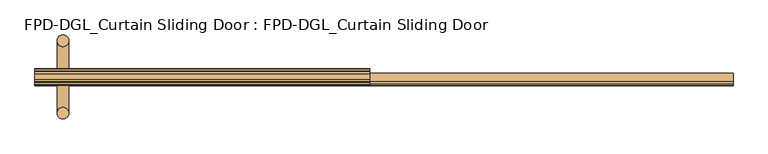
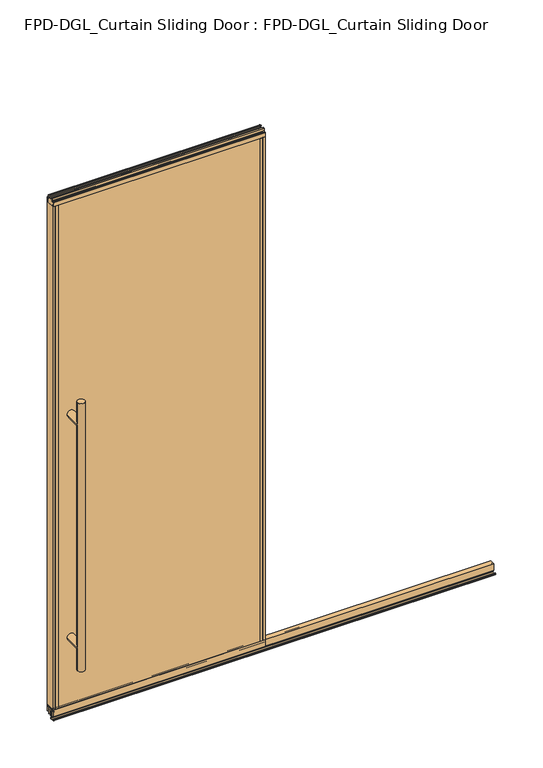
"""IFC4 building model written with IfcOpenShell, lengths in millimetres: door geometry, FPD-DGL_Curtain Sliding Door : FPD-DGL_Curtain Sliding Door."""

from ifc_helpers import new_model, si_unit, point, frame, frame_2d, origin, place, context, project, spatial, polyline, circle_curve, ellipse_curve, trimmed, segment, composite_curve, outline, extrude, source, transform, mapped, element, save
from ifc_brep_helpers import plane_surface, cylinder_surface, advanced_brep


def fpd_dgl_curtain_sliding_door_fpd_dgl_curtain_sliding_door_dc14727c(model_context):
    return source(origin(), model_context, "Body", "SolidModel", [
        advanced_brep(
        [(-364.33125, -98.628049, 1473.2), (-396.08125, -98.628049, 1473.2), (-364.33125, 98.5969566, 1473.2), (-396.08125, 98.5969566, 1473.2), (-364.33125, -98.628049, 254.0), (-396.08125, -98.628049, 254.0), (-364.33125, 98.5969566, 254.0), (-396.08125, 98.5969566, 254.0), (-364.33125, -98.628049, 1371.6), (-396.08125, -98.628049, 1371.6), (-396.08125, -98.628049, 355.6), (-364.33125, -98.628049, 355.6), (-364.33125, 98.5969566, 1371.6), (-364.33125, 98.5969566, 355.6), (-396.08125, 98.5969566, 355.6), (-396.08125, 98.5969566, 1371.6)],
        [
            (0, 1, circle_curve(frame((-380.20625, -98.628049, 1473.2), z_axis=(0.0, 0.0, 1.0), x_axis=(-1.0, 0.0, 0.0)), 15.875)),
            (1, 0, circle_curve(frame((-380.20625, -98.628049, 1473.2), z_axis=(0.0, 0.0, 1.0), x_axis=(-1.0, 0.0, 0.0)), 15.875)),
            (2, 3, circle_curve(frame((-380.20625, 98.5969566, 1473.2), z_axis=(0.0, 0.0, 1.0), x_axis=(-1.0, 0.0, 0.0)), 15.875)),
            (3, 2, circle_curve(frame((-380.20625, 98.5969566, 1473.2), z_axis=(0.0, 0.0, 1.0), x_axis=(-1.0, 0.0, 0.0)), 15.875)),
            (4, 5, circle_curve(frame((-380.20625, -98.628049, 254.0), z_axis=(0.0, 0.0, -1.0), x_axis=(-1.0, 0.0, 0.0)), 15.875)),
            (5, 4, circle_curve(frame((-380.20625, -98.628049, 254.0), z_axis=(0.0, 0.0, -1.0), x_axis=(-1.0, 0.0, 0.0)), 15.875)),
            (6, 7, circle_curve(frame((-380.20625, 98.5969566, 254.0), z_axis=(0.0, 0.0, -1.0), x_axis=(-1.0, 0.0, 0.0)), 15.875)),
            (7, 6, circle_curve(frame((-380.20625, 98.5969566, 254.0), z_axis=(0.0, 0.0, -1.0), x_axis=(-1.0, 0.0, 0.0)), 15.875)),
            (0, 8),
            (8, 9, ellipse_curve(frame((-380.20625, -98.628049, 1371.6), z_axis=(0.0, -0.7071067811865525, 0.7071067811865427), x_axis=(0.0, 0.7071067811865427, 0.7071067811865523)), 22.4506403, 15.875)),
            (9, 1),
            (5, 10),
            (10, 11, ellipse_curve(frame((-380.20625, -98.628049, 355.6), z_axis=(0.0, -0.7071067811865525, -0.7071067811865427), x_axis=(0.0, -0.7071067811865427, 0.7071067811865523)), 22.4506403, 15.875)),
            (11, 4),
            (8, 11),
            (11, 10, ellipse_curve(frame((-380.20625, -98.628049, 355.6), z_axis=(0.0, -0.7071067811865427, 0.7071067811865525), x_axis=(0.0, 0.7071067811865525, 0.7071067811865425)), 22.4506403, 15.875)),
            (10, 9),
            (9, 8, ellipse_curve(frame((-380.20625, -98.628049, 1371.6), z_axis=(0.0, -0.7071067811865427, -0.7071067811865525), x_axis=(0.0, -0.7071067811865525, 0.7071067811865425)), 22.4506403, 15.875)),
            (2, 12),
            (12, 13),
            (13, 6),
            (7, 14),
            (14, 15),
            (15, 3),
            (15, 12, ellipse_curve(frame((-380.20625, 98.5969566, 1371.6), z_axis=(0.0, 0.7071067811865427, 0.7071067811865525), x_axis=(0.0, -0.7071067811865525, 0.7071067811865425)), 22.4506403, 15.875)),
            (13, 14, ellipse_curve(frame((-380.20625, 98.5969566, 355.6), z_axis=(0.0, 0.7071067811865427, -0.7071067811865525), x_axis=(0.0, 0.7071067811865525, 0.7071067811865425)), 22.4506403, 15.875)),
            (12, 15, ellipse_curve(frame((-380.20625, 98.5969566, 1371.6), z_axis=(0.0, 0.7071067811865525, -0.7071067811865427), x_axis=(0.0, 0.7071067811865427, 0.7071067811865523)), 22.4506403, 15.875)),
            (14, 13, ellipse_curve(frame((-380.20625, 98.5969566, 355.6), z_axis=(0.0, 0.7071067811865525, 0.7071067811865427), x_axis=(0.0, -0.7071067811865427, 0.7071067811865523)), 22.4506403, 15.875)),
            (9, 15),
            (12, 8),
            (10, 14),
            (13, 11),
        ],
        [
            plane_surface(frame((-281.0988493, 0.0, 1473.2), z_axis=(0.0, 0.0, 1.0), x_axis=(0.0, -1.0, 0.0))),
            plane_surface(frame((-281.0988493, 0.0, 254.0), z_axis=(0.0, 0.0, -1.0), x_axis=(0.0, -1.0, 0.0))),
            cylinder_surface(frame((-380.20625, -98.628049, 1473.2), z_axis=(0.0, 0.0, 1.0), x_axis=(-1.0, 0.0, 0.0)), 15.875),
            cylinder_surface(frame((-380.20625, 98.5969566, 1473.2), z_axis=(0.0, 0.0, 1.0), x_axis=(-1.0, 0.0, 0.0)), 15.875),
            cylinder_surface(frame((-380.20625, 98.5969566, 1371.6), z_axis=(0.0, -1.0, 0.0), x_axis=(1.0, 0.0, 0.0)), 15.875),
            cylinder_surface(frame((-380.20625, 0.0, 355.6), z_axis=(0.0, -1.0, 0.0), x_axis=(1.0, 0.0, 0.0)), 15.875),
        ],
        [
            (0, [[1, 2]]),
            (0, [[3, 4]]),
            (1, [[5, 6]]),
            (1, [[7, 8]]),
            (2, [[-1, 9, 10, 11]]),
            (2, [[-6, 12, 13, 14]]),
            (2, [[15, 16, 17, 18]]),
            (2, [[-2, -11, -17, -12, -5, -14, -15, -9]]),
            (3, [[-3, 19, 20, 21, -8, 22, 23, 24]]),
            (3, [[-4, -24, 25, -19]]),
            (3, [[-7, -21, 26, -22]]),
            (3, [[-20, 27, -23, 28]]),
            (4, [[29, -27, 30, -18]]),
            (4, [[-29, -10, -30, -25]]),
            (5, [[31, -26, 32, -13]]),
            (5, [[-31, -16, -32, -28]]),
        ],
    ),
        extrude(outline(composite_curve([segment(trimmed(circle_curve(frame_2d((-4.9814206, 1.1714386)), 1.1684), [point((-3.8130206, 1.1714386))], [point((-4.9814206, 0.0030387))], False, "CARTESIAN"), True, "CONTINUOUS"), segment(polyline([(-4.9814206, 0.0030387), (-22.6598203, 0.0030387)]), True, "CONTINUOUS"), segment(trimmed(circle_curve(frame_2d((-22.6598203, 1.1714386)), 1.1684), [point((-22.6598203, 0.0030387))], [point((-23.8282203, 1.1714386))], False, "CARTESIAN"), True, "CONTINUOUS"), segment(polyline([(-23.8282203, 1.1714386), (-23.8282203, 4.0416386)]), True, "CONTINUOUS"), segment(trimmed(circle_curve(frame_2d((-22.6598203, 4.0416386)), 1.1684), [point((-23.8282203, 4.0416386))], [point((-22.6598203, 5.2100386))], False, "CARTESIAN"), True, "CONTINUOUS"), segment(polyline([(-22.6598203, 5.2100386), (-20.0711431, 5.2100386), (-20.0711431, 4.4232339), (-23.0662203, 4.4232339), (-23.0662203, 0.7650387), (-4.5877206, 0.7650387), (-4.5877206, 4.3138948), (-7.2737706, 4.3138948), (-7.2737706, 5.1338386), (-4.5663812, 5.1338386)]), True, "CONTINUOUS"), segment(trimmed(circle_curve(frame_2d((-4.9814206, 4.0416386)), 1.1684), [point((-4.5663812, 5.1338386))], [point((-3.8130206, 4.0416386))], False, "CARTESIAN"), True, "CONTINUOUS"), segment(polyline([(-3.8130206, 4.0416386), (-3.8130206, 1.1714386)]), True, "CONTINUOUS")], self_intersect=False)), frame((-456.40625, 0.0, 0.0), z_axis=(1.0, 0.0, 0.0), x_axis=(0.0, 1.0, 0.0)), (0.0, 0.0, 1.0), 1903.4125),
        extrude(outline(composite_curve([segment(polyline([(10.9646139, 41.6030387), (10.9646139, 11.6839647), (9.9646139, 11.6839647), (9.9646139, 33.5017657), (8.5747815, 33.5017657), (8.5747815, 34.3040626), (9.9646139, 34.3040626), (9.9646139, 35.6040627), (-0.8353862, 35.6040627), (-0.8353862, 34.3040626), (0.5544462, 34.3040626), (0.5544462, 33.5017657), (-0.8353862, 33.5017657), (-0.8353862, 11.6839647), (-2.4353865, 11.6839647), (-2.4353865, 39.1243868)]), True, "CONTINUOUS"), segment(trimmed(circle_curve(frame_2d((-3.4142598, 39.1243868)), 0.9788733), [point((-2.4353865, 39.1243868))], [point((-3.4142598, 40.1032601))], True, "CARTESIAN"), True, "CONTINUOUS"), segment(polyline([(-3.4142598, 40.1032601), (-8.5030373, 40.1032601)]), True, "CONTINUOUS"), segment(trimmed(circle_curve(frame_2d((-8.5030373, 39.1709995)), 0.9322606), [point((-8.5030373, 40.1032601))], [point((-9.435298, 39.1709995))], True, "CARTESIAN"), True, "CONTINUOUS"), segment(polyline([(-9.435298, 39.1709995), (-9.435298, 11.6839647), (-10.9353859, 11.6839647), (-10.9353859, 41.6030387), (10.9646139, 41.6030387)]), True, "CONTINUOUS")], self_intersect=False)), frame((-456.40625, 0.0, 0.0), z_axis=(1.0, 0.0, 0.0), x_axis=(0.0, 1.0, 0.0)), (0.0, 0.0, 1.0), 1903.4125),
        extrude(outline(composite_curve([segment(polyline([(-14.3241903, 48.6471016), (14.3241903, 48.6471016), (14.3241903, 47.6299627), (12.9571771, 47.6299627), (12.9571771, 41.3613764)]), True, "CONTINUOUS"), segment(trimmed(circle_curve(frame_2d((15.272652, 41.3613764)), 2.3154748), [point((12.9571771, 41.3613764))], [point((15.272652, 39.0459016))], True, "CARTESIAN"), True, "CONTINUOUS"), segment(polyline([(15.272652, 39.0459016), (20.2603754, 39.0522555)]), True, "CONTINUOUS"), segment(trimmed(circle_curve(frame_2d((20.162177, 39.8079016)), 0.762), [point((20.2603754, 39.0522555))], [point((20.924177, 39.8079016))], True, "CARTESIAN"), True, "CONTINUOUS"), segment(polyline([(20.924177, 39.8079016), (20.924177, 48.6471016), (22.2241745, 48.6471016), (22.2241745, 19.0059017), (13.1027622, 19.0059017), (13.1027622, 15.875), (11.1984721, 15.875), (11.1984721, 47.0470737), (-11.1984721, 47.0470737), (-11.1984721, 15.875), (-13.1027622, 15.875), (-13.1027622, 19.0059017), (-22.2241745, 19.0059017), (-22.2241745, 48.6471016), (-20.924177, 48.6471016), (-20.924177, 39.8079016)]), True, "CONTINUOUS"), segment(trimmed(circle_curve(frame_2d((-20.162177, 39.8079016)), 0.762), [point((-20.924177, 39.8079016))], [point((-20.2603754, 39.0522555))], True, "CARTESIAN"), True, "CONTINUOUS"), segment(polyline([(-20.2603754, 39.0522555), (-15.272652, 39.0459016)]), True, "CONTINUOUS"), segment(trimmed(circle_curve(frame_2d((-15.272652, 41.3613764)), 2.3154748), [point((-15.272652, 39.0459016))], [point((-12.9571771, 41.3613764))], True, "CARTESIAN"), True, "CONTINUOUS"), segment(polyline([(-12.9571771, 41.3613764), (-12.9571771, 47.6299627), (-14.3241903, 47.6299627), (-14.3241903, 48.6471016)]), True, "CONTINUOUS")], self_intersect=False)), frame((-456.40625, 0.0, 0.0), z_axis=(1.0, 0.0, 0.0), x_axis=(0.0, 1.0, 0.0)), (0.0, 0.0, 1.0), 912.8125),
        extrude(outline(composite_curve([segment(polyline([(-8.3999825, 2373.0296458), (-8.3999825, 2371.0296498), (-11.9999752, 2371.0296498), (-11.9999752, 2362.5296668)]), True, "CONTINUOUS"), segment(trimmed(circle_curve(frame_2d((-11.4999762, 2362.5296668)), 0.499999), [point((-11.9999752, 2362.5296668))], [point((-11.4999762, 2362.0296678))], True, "CARTESIAN"), True, "CONTINUOUS"), segment(polyline([(-11.4999762, 2362.0296678), (11.4999762, 2362.0296678)]), True, "CONTINUOUS"), segment(trimmed(circle_curve(frame_2d((11.4999762, 2362.5296668)), 0.499999), [point((11.4999762, 2362.0296678))], [point((11.9999752, 2362.5296668))], True, "CARTESIAN"), True, "CONTINUOUS"), segment(polyline([(11.9999752, 2362.5296668), (11.9999752, 2371.0296498), (8.3999825, 2371.0296498), (8.3999825, 2373.0296458), (13.4046588, 2373.0296458)]), True, "CONTINUOUS"), segment(trimmed(circle_curve(frame_2d((13.4046588, 2372.4343333)), 0.5953125), [point((13.4046588, 2373.0296458))], [point((13.9999713, 2372.4343333))], False, "CARTESIAN"), True, "CONTINUOUS"), segment(polyline([(13.9999713, 2372.4343333), (13.9999713, 2361.0663317)]), True, "CONTINUOUS"), segment(trimmed(circle_curve(frame_2d((15.9190752, 2361.0663317)), 1.919104), [point((13.9999713, 2361.0663317))], [point((15.9190752, 2359.1472277))], True, "CARTESIAN"), True, "CONTINUOUS"), segment(polyline([(15.9190752, 2359.1472277), (21.4249567, 2359.1472277)]), True, "CONTINUOUS"), segment(trimmed(circle_curve(frame_2d((21.4249567, 2358.3472293)), 0.7999984), [point((21.4249567, 2359.1472277))], [point((22.2249551, 2358.3472293))], False, "CARTESIAN"), True, "CONTINUOUS"), segment(polyline([(22.2249551, 2358.3472293), (22.2249551, 2339.4622278), (20.9249577, 2339.4622278), (20.9249577, 2349.5622078)]), True, "CONTINUOUS"), segment(trimmed(circle_curve(frame_2d((20.4249587, 2349.5622078)), 0.499999), [point((20.9249577, 2349.5622078))], [point((20.4249587, 2350.0622068))], True, "CARTESIAN"), True, "CONTINUOUS"), segment(polyline([(20.4249587, 2350.0622068), (14.3249714, 2350.0622068), (14.3249714, 2339.4622278), (-14.3249711, 2339.4622278), (-14.3249711, 2350.0622068), (-20.4249587, 2350.0622068)]), True, "CONTINUOUS"), segment(trimmed(circle_curve(frame_2d((-20.4249587, 2349.5622078)), 0.499999), [point((-20.4249587, 2350.0622068))], [point((-20.9249577, 2349.5622078))], True, "CARTESIAN"), True, "CONTINUOUS"), segment(polyline([(-20.9249577, 2349.5622078), (-20.9249577, 2339.4622278), (-22.2249554, 2339.4622278), (-22.2249554, 2358.3472293)]), True, "CONTINUOUS"), segment(trimmed(circle_curve(frame_2d((-21.4249568, 2358.3472293)), 0.7999985), [point((-22.2249554, 2358.3472293))], [point((-21.4249568, 2359.1472278))], False, "CARTESIAN"), True, "CONTINUOUS"), segment(polyline([(-21.4249568, 2359.1472278), (-15.9190752, 2359.1472278)]), True, "CONTINUOUS"), segment(trimmed(circle_curve(frame_2d((-15.9190752, 2361.0663318)), 1.919104), [point((-15.9190752, 2359.1472278))], [point((-13.9999713, 2361.0663318))], True, "CARTESIAN"), True, "CONTINUOUS"), segment(polyline([(-13.9999713, 2361.0663318), (-13.9999713, 2372.4343333)]), True, "CONTINUOUS"), segment(trimmed(circle_curve(frame_2d((-13.4046588, 2372.4343333)), 0.5953125), [point((-13.9999713, 2372.4343333))], [point((-13.4046588, 2373.0296458))], False, "CARTESIAN"), True, "CONTINUOUS"), segment(polyline([(-13.4046588, 2373.0296458), (-8.3999825, 2373.0296458)]), True, "CONTINUOUS")], self_intersect=False)), frame((-456.40625, 0.0, 0.0), z_axis=(1.0, 0.0, 0.0), x_axis=(0.0, 1.0, 0.0)), (0.0, 0.0, 1.0), 912.8125),
        extrude(outline(polyline([(446.4694011, 20.9265993), (446.4694011, 14.325), (-446.4694011, 14.325), (-446.4694011, 20.9265993), (446.4694011, 20.9265993)])), frame((0.0, 0.0, 39.1580021), z_axis=(0.0, 0.0, 1.0), x_axis=(1.0, 0.0, 0.0)), (0.0, 0.0, 1.0), 2310.6376625),
        extrude(outline(polyline([(-446.4694011, -14.325), (446.4694011, -14.325), (446.4694011, -20.9265993), (-446.4694011, -20.9265993), (-446.4694011, -14.325)])), frame((0.0, 0.0, 39.1580021), z_axis=(0.0, 0.0, 1.0), x_axis=(1.0, 0.0, 0.0)), (0.0, 0.0, 1.0), 2310.6376625),
        extrude(outline(composite_curve([segment(polyline([(-456.40625, 22.225), (-435.8694011, 22.225), (-435.8694011, 20.9265993), (-445.9614011, 20.9265993)]), True, "CONTINUOUS"), segment(trimmed(circle_curve(frame_2d((-445.9614011, 20.4185993)), 0.508), [point((-445.9614011, 20.9265993))], [point((-446.4694011, 20.4185993))], True, "CARTESIAN"), True, "CONTINUOUS"), segment(polyline([(-446.4694011, 20.4185993), (-446.4694011, 18.4404), (-447.6694009, 18.4404), (-447.6694009, 20.9202), (-454.6028499, 20.9202), (-454.6028499, 9.245198), (-447.6694009, 9.245198), (-447.6694009, 14.325), (-435.8694011, 14.325), (-435.8694011, -14.325), (-447.6694009, -14.325), (-447.6694009, -9.245198), (-454.6028499, -9.245198), (-454.6028499, -20.9202), (-447.6694009, -20.9202), (-447.6694009, -18.4404), (-446.4694011, -18.4404), (-446.4694011, -20.3974063)]), True, "CONTINUOUS"), segment(trimmed(circle_curve(frame_2d((-445.9402074, -20.3974063)), 0.5291937), [point((-446.4694011, -20.3974063))], [point((-445.9402074, -20.9266))], True, "CARTESIAN"), True, "CONTINUOUS"), segment(polyline([(-445.9402074, -20.9266), (-435.8694011, -20.9266), (-435.8694011, -22.225), (-456.40625, -22.225), (-456.40625, 22.225)]), True, "CONTINUOUS")], self_intersect=False)), frame((0.0, 0.0, 48.6471016), z_axis=(0.0, 0.0, 1.0), x_axis=(1.0, 0.0, 0.0)), (0.0, 0.0, 1.0), 2290.8151262),
        extrude(outline(composite_curve([segment(polyline([(456.40625, 22.225), (456.40625, -22.225), (435.869401, -22.225), (435.869401, -20.9266), (445.9402074, -20.9266)]), True, "CONTINUOUS"), segment(trimmed(circle_curve(frame_2d((445.9402074, -20.3974063)), 0.5291937), [point((445.9402074, -20.9266))], [point((446.4694011, -20.3974063))], True, "CARTESIAN"), True, "CONTINUOUS"), segment(polyline([(446.4694011, -20.3974063), (446.4694011, -18.4404), (447.6694009, -18.4404), (447.6694009, -20.9202), (454.6028499, -20.9202), (454.6028499, -9.245198), (447.6694009, -9.245198), (447.6694009, -14.325), (435.8694011, -14.325), (435.8694011, 14.325), (447.6694009, 14.325), (447.6694009, 9.245198), (454.6028499, 9.245198), (454.6028499, 20.9202), (447.6694009, 20.9202), (447.6694009, 18.4404), (446.4694011, 18.4404), (446.4694011, 20.4185993)]), True, "CONTINUOUS"), segment(trimmed(circle_curve(frame_2d((445.9614011, 20.4185993)), 0.508), [point((446.4694011, 20.4185993))], [point((445.9614011, 20.9265993))], True, "CARTESIAN"), True, "CONTINUOUS"), segment(polyline([(445.9614011, 20.9265993), (435.8694011, 20.9265993), (435.8694011, 22.225), (456.40625, 22.225)]), True, "CONTINUOUS")], self_intersect=False)), frame((0.0, 0.0, 48.6471016), z_axis=(0.0, 0.0, 1.0), x_axis=(1.0, 0.0, 0.0)), (0.0, 0.0, 1.0), 2290.8151262),
    ])


if __name__ == "__main__":
    model = new_model("IFC4")
    model_context = context("Model", 3, world=origin())
    ifc_project = project(units=[si_unit("LENGTHUNIT", "METRE", prefix="MILLI")], contexts=[model_context])
    site = spatial("IfcSite", under=ifc_project)
    building = spatial("IfcBuilding", under=site)
    placement = place(None, origin())
    fpd_dgl_curtain_sliding_door_fpd_dgl_curtain_sliding_door_shape = fpd_dgl_curtain_sliding_door_fpd_dgl_curtain_sliding_door_dc14727c(model_context)
    element("IfcDoor", 1, ObjectType="FPD-DGL_Curtain Sliding Door : FPD-DGL_Curtain Sliding Door", at=placement, inside=building, context=model_context, shape_type="MappedRepresentation", body=[
        mapped(fpd_dgl_curtain_sliding_door_fpd_dgl_curtain_sliding_door_shape, transform((0.0, 0.0, 0.0), x_axis=(1.0, 0.0, 0.0), y_axis=(0.0, 1.0, 0.0), z_axis=(0.0, 0.0, 1.0))),
    ])
    save(model, "model.ifc")
